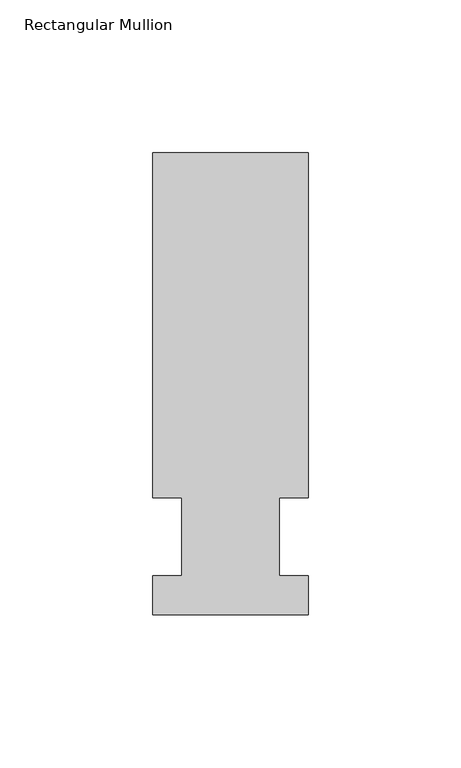
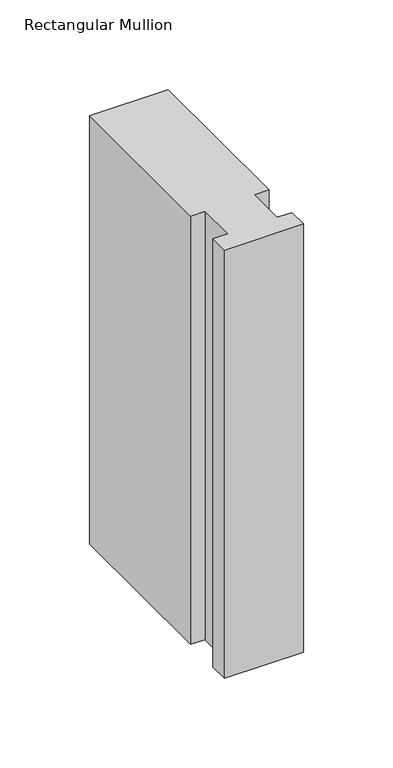
"""IFC4 building model written with IfcOpenShell, lengths in millimetres: member geometry, Rectangular Mullion."""

from ifc_helpers import new_model, si_unit, frame, origin, place, context, project, spatial, polyline, outline, extrude, source, transform, mapped, element, save


def rectangular_mullion_5bfd3dc4(model_context):
    return source(origin(), model_context, "Body", "SweptSolid", [
        extrude(outline(polyline([(-25.4, -25.58415), (-25.4, -12.7), (-15.875, -12.7), (-15.875, 12.7), (-25.4, 12.7), (-25.4, 125.59665), (25.4, 125.59665), (25.4, 12.7), (15.875, 12.7), (15.875, -12.7), (25.4, -12.7), (25.4, -25.58415), (-25.4, -25.58415)])), frame((0.0, 0.0, -292.1), z_axis=(0.0, 0.0, 1.0), x_axis=(1.0, 0.0, 0.0)), (0.0, 0.0, 1.0), 292.1),
    ])


if __name__ == "__main__":
    model = new_model("IFC4")
    model_context = context("Model", 3, world=origin())
    ifc_project = project(units=[si_unit("LENGTHUNIT", "METRE", prefix="MILLI")], contexts=[model_context])
    site = spatial("IfcSite", under=ifc_project)
    building = spatial("IfcBuilding", under=site)
    placement = place(None, origin())
    rectangular_mullion_shape = rectangular_mullion_5bfd3dc4(model_context)
    element("IfcMember", 1, ObjectType="Rectangular Mullion", at=placement, inside=building, context=model_context, shape_type="MappedRepresentation", body=[
        mapped(rectangular_mullion_shape, transform((0.0, 0.0, 0.0), x_axis=(1.0, 0.0, 0.0), y_axis=(0.0, 1.0, 0.0), z_axis=(0.0, 0.0, 1.0))),
    ])
    save(model, "model.ifc")
